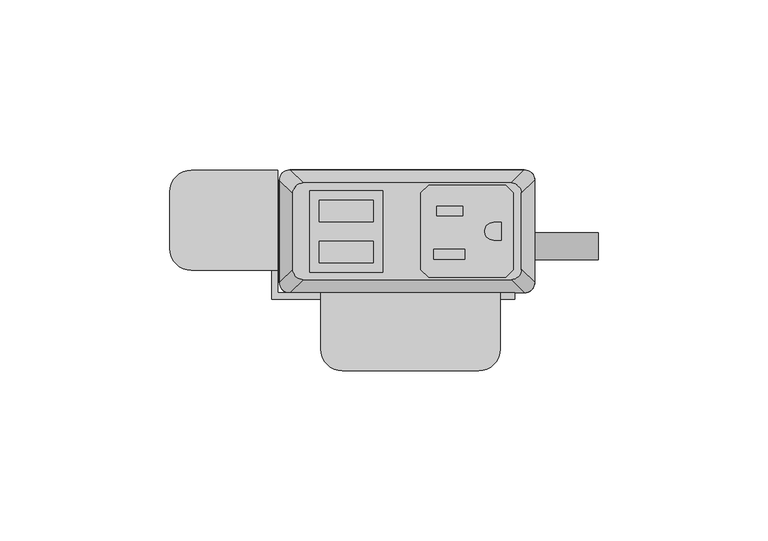
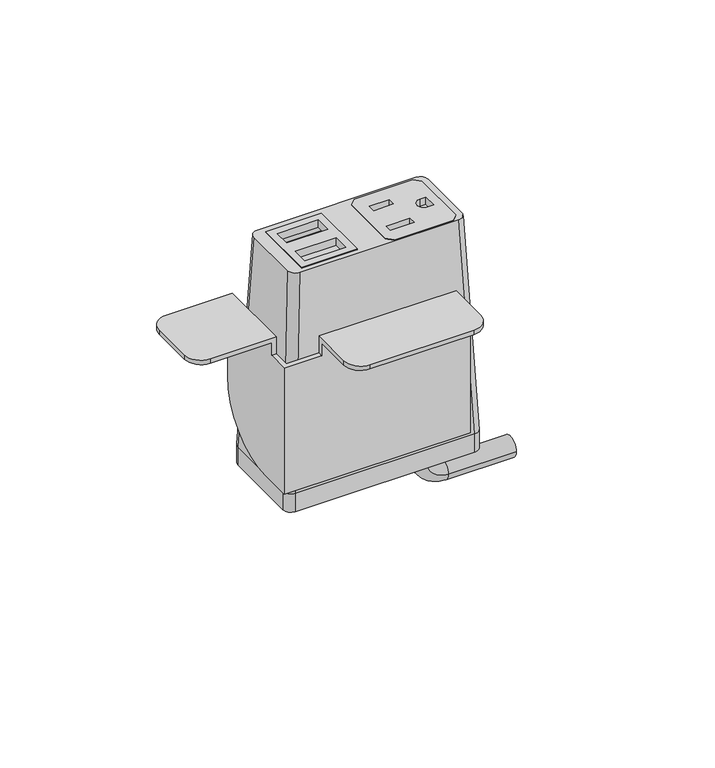
"""IFC4 building model written with IfcOpenShell, lengths in millimetres: furniture geometry."""

from ifc_helpers import new_model, si_unit, point, frame, frame_2d, origin, place, context, project, spatial, polyline, circle_curve, ellipse_curve, trimmed, segment, composite_curve, outline, extrude, source, transform, mapped, element, save
from ifc_brep_helpers import plane_surface, cylinder_surface, revolved_surface, extruded_surface, advanced_brep


def furniture_89d231df(model_context):
    return source(origin(), model_context, "Body", "SolidModel", [
        extrude(outline(polyline([(28.9877496, 31.6867491), (31.2737497, 29.400774), (31.2737497, 6.7950272), (28.9877496, 4.5090526), (6.3817502, 4.5090526), (4.0957501, 6.7950272), (4.0957501, 29.400774), (6.3817502, 31.6867491), (28.9877496, 31.6867491)]), holes=[polyline([(16.3893498, 25.5262103), (8.71855, 25.5262103), (8.71855, 22.6814439), (16.3893498, 22.6814439), (16.3893498, 25.5262103)]), polyline([(17.0497496, 12.7755533), (7.8041498, 12.7755533), (7.8041498, 9.9307858), (17.0497496, 9.9307858), (17.0497496, 12.7755533)]), composite_curve([segment(polyline([(27.7177508, 20.7140722), (25.4427305, 20.7140722)]), True, "CONTINUOUS"), segment(trimmed(circle_curve(frame_2d((25.4427305, 18.0979012)), 2.616171), [point((25.4427305, 20.7140722))], [point((25.4427305, 15.4817301))], True, "CARTESIAN"), True, "CONTINUOUS"), segment(polyline([(25.4427305, 15.4817301), (27.7177508, 15.4817301), (27.7177508, 20.7140722)]), True, "CONTINUOUS")], self_intersect=False)]), frame((0.0, 0.0, 740.0247365), z_axis=(0.0, 0.0, 1.0), x_axis=(1.0, 0.0, 0.0)), (0.0, 0.0, 1.0), 2.9555086),
        extrude(outline(polyline([(-28.6985163, 30.0736276), (-7.143469, 30.0736276), (-7.143469, 6.0162042), (-28.6985163, 6.0162042), (-28.6985163, 30.0736276)]), holes=[polyline([(-9.9834931, 27.2024139), (-25.8584916, 27.2025547), (-25.8584916, 20.8524858), (-9.9834931, 20.8524858), (-9.9834931, 27.2024139)]), polyline([(-9.9834931, 15.1725012), (-25.8584916, 15.1726408), (-25.8584916, 8.8225725), (-9.9834931, 8.8225725), (-9.9834931, 15.1725012)])]), frame((0.0, 0.0, 740.0247365), z_axis=(0.0, 0.0, 1.0), x_axis=(1.0, 0.0, 0.0)), (0.0, 0.0, 1.0), 2.9555086),
        advanced_brep(
        [(-30.6070003, 32.3219007, 742.9670623), (-33.6549997, 29.2739013, 742.9670623), (-33.6549997, 6.9219002, 742.9670623), (-30.6070003, 3.8739008, 742.9670623), (30.6070003, 3.8739008, 742.9670623), (33.6549997, 6.9219002, 742.9670623), (33.6549997, 29.2739013, 742.9670623), (30.6070003, 32.3219007, 742.9670623), (-7.143469, 30.0736276, 742.9670623), (-7.143469, 6.0162042, 742.9670623), (-28.6985163, 6.0162042, 742.9670623), (-28.6985163, 30.0736276, 742.9670623), (4.0957501, 29.400774, 742.9670623), (6.3817502, 31.6867491, 742.9670623), (28.9877496, 31.6867491, 742.9670623), (31.2737497, 29.400774, 742.9670623), (31.2737497, 6.7950272, 742.9670623), (28.9877496, 4.5090526, 742.9670623), (6.3817502, 4.5090526, 742.9670623), (4.0957501, 6.7950272, 742.9670623), (-34.5440011, 36.1954015, 656.6202434), (34.5440011, 36.1954015, 656.6202434), (37.5920005, 33.1474021, 656.6202434), (37.5920005, 3.0484002, 656.6202434), (34.5440011, 0.0004009, 656.6202434), (-34.5440011, 0.0004009, 656.6202434), (-37.5920005, 3.0484002, 656.6202434), (-37.5920005, 33.1474021, 656.6202434), (-7.143469, 30.0736276, 735.8251211), (-28.6985163, 30.0736276, 735.8251211), (-28.6985163, 6.0162042, 735.8251211), (-7.143469, 6.0162042, 735.8251211), (4.0957501, 29.400774, 735.8251211), (4.0957501, 6.7950272, 735.8251211), (6.3817502, 4.5090526, 735.8251211), (28.9877496, 4.5090526, 735.8251211), (31.2737497, 6.7950272, 735.8251211), (31.2737497, 29.400774, 735.8251211), (28.9877496, 31.6867491, 735.8251211), (6.3817502, 31.6867491, 735.8251211)],
        [
            (0, 1, circle_curve(frame((-30.6070003, 29.2739013, 742.9670623), z_axis=(0.0, 0.0, 1.0), x_axis=(-1.0, 0.0, 0.0)), 3.0479994)),
            (1, 2),
            (2, 3, circle_curve(frame((-30.6070003, 6.9219002, 742.9670623), z_axis=(0.0, 0.0, 1.0), x_axis=(-1.0, 0.0, 0.0)), 3.0479994)),
            (3, 4),
            (4, 5, circle_curve(frame((30.6070003, 6.9219002, 742.9670623), z_axis=(0.0, 0.0, 1.0), x_axis=(-1.0, 0.0, 0.0)), 3.0479994)),
            (5, 6),
            (6, 7, circle_curve(frame((30.6070003, 29.2739013, 742.9670623), z_axis=(0.0, 0.0, 1.0), x_axis=(-1.0, 0.0, 0.0)), 3.0479994)),
            (7, 0),
            (8, 9),
            (9, 10),
            (10, 11),
            (11, 8),
            (12, 13),
            (13, 14),
            (14, 15),
            (15, 16),
            (16, 17),
            (17, 18),
            (18, 19),
            (19, 12),
            (20, 21),
            (21, 22, circle_curve(frame((34.5440011, 33.1474021, 656.6202434), z_axis=(0.0, 0.0, -1.0), x_axis=(-1.0, 0.0, 0.0)), 3.0479994)),
            (22, 23),
            (23, 24, circle_curve(frame((34.5440011, 3.0484002, 656.6202434), z_axis=(0.0, 0.0, -1.0), x_axis=(-1.0, 0.0, 0.0)), 3.0479994)),
            (24, 25),
            (25, 26, circle_curve(frame((-34.5440011, 3.0484002, 656.6202434), z_axis=(0.0, 0.0, -1.0), x_axis=(-1.0, 0.0, 0.0)), 3.0479994)),
            (26, 27),
            (27, 20, circle_curve(frame((-34.5440011, 33.1474021, 656.6202434), z_axis=(0.0, 0.0, -1.0), x_axis=(-1.0, 0.0, 0.0)), 3.0479994)),
            (0, 20),
            (27, 1),
            (26, 2),
            (25, 3),
            (24, 4),
            (23, 5),
            (22, 6),
            (21, 7),
            (28, 29),
            (29, 30),
            (30, 31),
            (31, 28),
            (32, 33),
            (33, 34),
            (34, 35),
            (35, 36),
            (36, 37),
            (37, 38),
            (38, 39),
            (39, 32),
            (31, 9),
            (8, 28),
            (30, 10),
            (29, 11),
            (39, 13),
            (12, 32),
            (38, 14),
            (37, 15),
            (36, 16),
            (35, 17),
            (34, 18),
            (33, 19),
        ],
        [
            plane_surface(frame((0.0, 18.0979007, 742.9670623), z_axis=(0.0, 0.0, 1.0), x_axis=(-1.0, 0.0, 0.0))),
            plane_surface(frame((0.0, 18.0979012, 656.6202434), z_axis=(0.0, 0.0, -1.0), x_axis=(-1.0, 0.0, 0.0))),
            extruded_surface(trimmed(circle_curve(frame((-34.5440011, 33.1474021, 656.6202434), z_axis=(0.0, 0.0, 1.0), x_axis=(-1.0, 0.0, 0.0)), 3.0479994), [point((-34.5440011, 36.1954015, 656.6202434))], [point((-37.5920005, 33.1474021, 656.6202434))], True, "CARTESIAN"), (3.9370008000000034, -3.873500800000002, 86.3468188999999), 86.52327500676441),
            plane_surface(frame((-37.5920005, 18.0979012, 656.6202434), z_axis=(-0.9989621566211194, 0.0, 0.04554788292425982), x_axis=(0.0, -1.0, 0.0))),
            extruded_surface(trimmed(circle_curve(frame((-34.5440011, 3.0484002, 656.6202434), z_axis=(0.0, 0.0, 1.0), x_axis=(-1.0, 0.0, 0.0)), 3.0479994), [point((-37.5920005, 3.0484002, 656.6202434))], [point((-34.5440011, 0.0004009, 656.6202434))], True, "CARTESIAN"), (3.9370008000000034, 3.8734999999999995, 86.3468188999999), 86.52327497094976),
            plane_surface(frame((0.0, 0.0004009, 656.6202434), z_axis=(0.0, -0.9989953158490498, 0.044814717578687276), x_axis=(1.0, 0.0, 0.0))),
            extruded_surface(trimmed(circle_curve(frame((34.5440011, 3.0484002, 656.6202434), z_axis=(0.0, 0.0, 1.0), x_axis=(-1.0, 0.0, 0.0)), 3.0479994), [point((34.5440011, 0.0004009, 656.6202434))], [point((37.5920005, 3.0484002, 656.6202434))], True, "CARTESIAN"), (-3.9370008000000034, 3.8734999999999995, 86.3468188999999), 86.52327497094976),
            plane_surface(frame((37.5920005, 18.0979012, 656.6202434), z_axis=(0.9989621566211194, 0.0, 0.04554788292425977), x_axis=(0.0, 1.0, 0.0))),
            extruded_surface(trimmed(circle_curve(frame((34.5440011, 33.1474021, 656.6202434), z_axis=(0.0, 0.0, 1.0), x_axis=(-1.0, 0.0, 0.0)), 3.0479994), [point((37.5920005, 33.1474021, 656.6202434))], [point((34.5440011, 36.1954015, 656.6202434))], True, "CARTESIAN"), (-3.9370008000000034, -3.873500800000002, 86.3468188999999), 86.52327500676441),
            plane_surface(frame((0.0, 36.1954015, 656.6202434), z_axis=(0.0, 0.9989953153818162, 0.04481472799410512), x_axis=(-1.0, 0.0, 0.0))),
            plane_surface(frame((-7.143469, 30.0736276, 735.8251211), z_axis=(0.0, 0.0, 1.0), x_axis=(0.0, -1.0, 0.0))),
            plane_surface(frame((-7.143469, 30.0736276, 735.8251211), z_axis=(-1.0, 0.0, 0.0), x_axis=(0.0, 0.0, 1.0))),
            plane_surface(frame((-7.143469, 6.0162042, 735.8251211), z_axis=(0.0, 1.0, 0.0), x_axis=(0.0, 0.0, 1.0))),
            plane_surface(frame((-28.6985163, 6.0162042, 735.8251211), z_axis=(1.0, 0.0, 0.0), x_axis=(0.0, 0.0, 1.0))),
            plane_surface(frame((-28.6985163, 30.0736276, 735.8251211), z_axis=(0.0, -1.0, 0.0), x_axis=(0.0, 0.0, 1.0))),
            plane_surface(frame((4.0957501, 29.400774, 735.8251211), z_axis=(0.7071029176939239, -0.707110644658062, 0.0), x_axis=(0.0, 0.0, 1.0))),
            plane_surface(frame((6.3817502, 31.6867491, 735.8251211), z_axis=(0.0, -1.0, 0.0), x_axis=(0.0, 0.0, 1.0))),
            plane_surface(frame((28.9877496, 31.6867491, 735.8251211), z_axis=(-0.7071029176939239, -0.707110644658062, 0.0), x_axis=(0.0, 0.0, 1.0))),
            plane_surface(frame((31.2737497, 29.400774, 735.8251211), z_axis=(-1.0, 0.0, 0.0), x_axis=(0.0, 0.0, 1.0))),
            plane_surface(frame((31.2737497, 6.7950272, 735.8251211), z_axis=(-0.7071028298865373, 0.7071107324644781, 0.0), x_axis=(0.0, 0.0, 1.0))),
            plane_surface(frame((28.9877496, 4.5090526, 735.8251211), z_axis=(0.0, 1.0, 0.0), x_axis=(0.0, 0.0, 1.0))),
            plane_surface(frame((6.3817502, 4.5090526, 735.8251211), z_axis=(0.7071028298865373, 0.7071107324644781, 0.0), x_axis=(0.0, 0.0, 1.0))),
            plane_surface(frame((4.0957501, 6.7950272, 735.8251211), z_axis=(1.0, 0.0, 0.0), x_axis=(0.0, 0.0, 1.0))),
        ],
        [
            (0, [[1, 2, 3, 4, 5, 6, 7, 8], [9, 10, 11, 12], [13, 14, 15, 16, 17, 18, 19, 20]]),
            (1, [[21, 22, 23, 24, 25, 26, 27, 28]]),
            (2, [[-1, 29, -28, 30]]),
            (3, [[-2, -30, -27, 31]]),
            (4, [[-3, -31, -26, 32]]),
            (5, [[-4, -32, -25, 33]]),
            (6, [[-5, -33, -24, 34]]),
            (7, [[-6, -34, -23, 35]]),
            (8, [[-7, -35, -22, 36]]),
            (9, [[-8, -36, -21, -29]]),
            (10, [[37, 38, 39, 40]]),
            (10, [[41, 42, 43, 44, 45, 46, 47, 48]]),
            (11, [[-40, 49, -9, 50]]),
            (12, [[-39, 51, -10, -49]]),
            (13, [[-38, 52, -11, -51]]),
            (14, [[-37, -50, -12, -52]]),
            (15, [[-48, 53, -13, 54]]),
            (16, [[-47, 55, -14, -53]]),
            (17, [[-46, 56, -15, -55]]),
            (18, [[-45, 57, -16, -56]]),
            (19, [[-44, 58, -17, -57]]),
            (20, [[-43, 59, -18, -58]]),
            (21, [[-42, 60, -19, -59]]),
            (22, [[-41, -54, -20, -60]]),
        ],
    ),
        advanced_brep(
        [(21.5715504, 17.7128311, 649.1460348), (21.5715504, 9.7137856, 649.1460348), (21.5715504, 17.7128311, 644.3162821), (21.5715504, 9.7137856, 644.3162821), (30.0384415, 9.7137856, 635.849391), (30.0384415, 17.7128311, 635.849391), (56.2588798, 17.7128311, 635.849391), (56.2588798, 9.7137856, 635.849391)],
        [
            (0, 1, circle_curve(frame((21.5715504, 13.7133083, 649.1460348), z_axis=(0.0, 0.0, 1.0), x_axis=(0.0, -1.0, 0.0)), 3.9995228)),
            (1, 0, circle_curve(frame((21.5715504, 13.7133083, 649.1460348), z_axis=(0.0, 0.0, 1.0), x_axis=(0.0, -1.0, 0.0)), 3.9995228)),
            (0, 2),
            (2, 3, circle_curve(frame((21.5715504, 13.7133083, 644.3162821), z_axis=(0.0, 0.0, 1.0), x_axis=(0.0, -1.0, 0.0)), 3.9995228)),
            (3, 1),
            (3, 2, circle_curve(frame((21.5715504, 13.7133083, 644.3162821), z_axis=(0.0, 0.0, 1.0), x_axis=(0.0, -1.0, 0.0)), 3.9995228)),
            (4, 3, circle_curve(frame((30.0384415, 9.7137856, 644.3162821), z_axis=(0.0, 1.0, 0.0), x_axis=(-1.0, 0.0, 0.0)), 8.4668911)),
            (2, 5, circle_curve(frame((30.0384415, 17.7128311, 644.3162821), z_axis=(0.0, -1.0, 0.0), x_axis=(-1.0, 0.0, 0.0)), 8.4668911)),
            (5, 4, circle_curve(frame((30.0384415, 13.7133083, 635.849391), z_axis=(-1.0, 0.0, 0.0), x_axis=(0.0, -1.0, 0.0)), 3.9995228)),
            (4, 5, circle_curve(frame((30.0384415, 13.7133083, 635.849391), z_axis=(-1.0, 0.0, 0.0), x_axis=(0.0, -1.0, 0.0)), 3.9995228)),
            (6, 7, circle_curve(frame((56.2588798, 13.7133083, 635.849391), z_axis=(1.0, 0.0, 0.0), x_axis=(0.0, -1.0, 0.0)), 3.9995228)),
            (7, 6, circle_curve(frame((56.2588798, 13.7133083, 635.849391), z_axis=(1.0, 0.0, 0.0), x_axis=(0.0, -1.0, 0.0)), 3.9995228)),
            (5, 6),
            (7, 4),
        ],
        [
            plane_surface(frame((21.5715504, 0.0, 649.1460348), z_axis=(0.0, 0.0, 1.0), x_axis=(0.0, -1.0, 0.0))),
            cylinder_surface(frame((21.5715504, 13.7133083, 649.1460348), z_axis=(0.0, 0.0, 1.0), x_axis=(0.0, -1.0, 0.0)), 3.9995228),
            revolved_surface(trimmed(ellipse_curve(frame((21.5715504, 13.7133083, 644.3162821), z_axis=(0.0, 0.0, 1.0), x_axis=(0.0, -1.0, 0.0)), 3.9995228, 3.9995228), [point((21.5715504, 17.7128311, 644.3162821))], [point((21.5715504, 9.7137856, 644.3162821))], True, "CARTESIAN"), (30.0384415, 0.0, 644.3162821), (0.0, -1.0, 0.0)),
            revolved_surface(trimmed(ellipse_curve(frame((21.5715504, 13.7133083, 644.3162821), z_axis=(0.0, 0.0, 1.0), x_axis=(0.0, -1.0, 0.0)), 3.9995228, 3.9995228), [point((21.5715504, 9.7137856, 644.3162821))], [point((21.5715504, 17.7128311, 644.3162821))], True, "CARTESIAN"), (30.0384415, 0.0, 644.3162821), (0.0, -1.0, 0.0)),
            plane_surface(frame((56.2588798, 0.0, 635.849391), z_axis=(1.0, 0.0, 0.0), x_axis=(0.0, -1.0, 0.0))),
            cylinder_surface(frame((30.0384415, 13.7133083, 635.849391), z_axis=(-1.0, 0.0, 0.0), x_axis=(0.0, -1.0, 0.0)), 3.9995228),
        ],
        [
            (0, [[1, 2]]),
            (1, [[-1, 3, 4, 5]]),
            (1, [[-2, -5, 6, -3]]),
            (2, [[7, -4, 8, 9]]),
            (3, [[-8, -6, -7, 10]]),
            (4, [[11, 12]]),
            (5, [[-9, 13, -12, 14]]),
            (5, [[-10, -14, -11, -13]]),
        ],
    ),
        extrude(outline(composite_curve([segment(trimmed(circle_curve(frame_2d((34.5440011, 33.1474021)), 3.0479994), [point((34.5440011, 36.1954015))], [point((37.5920005, 33.1474021))], False, "CARTESIAN"), True, "CONTINUOUS"), segment(polyline([(37.5920005, 33.1474021), (37.5920005, 3.0484002)]), True, "CONTINUOUS"), segment(trimmed(circle_curve(frame_2d((34.5440011, 3.0484002)), 3.0479994), [point((37.5920005, 3.0484002))], [point((34.5440011, 0.0004009))], False, "CARTESIAN"), True, "CONTINUOUS"), segment(polyline([(34.5440011, 0.0004009), (-34.5440011, 0.0004009)]), True, "CONTINUOUS"), segment(trimmed(circle_curve(frame_2d((-34.5440011, 3.0484002)), 3.0479994), [point((-34.5440011, 0.0004009))], [point((-37.5920005, 3.0484002))], False, "CARTESIAN"), True, "CONTINUOUS"), segment(polyline([(-37.5920005, 3.0484002), (-37.5920005, 33.1474021)]), True, "CONTINUOUS"), segment(trimmed(circle_curve(frame_2d((-34.5440011, 33.1474021)), 3.0479994), [point((-37.5920005, 33.1474021))], [point((-34.5440011, 36.1954015))], False, "CARTESIAN"), True, "CONTINUOUS"), segment(polyline([(-34.5440011, 36.1954015), (34.5440011, 36.1954015)]), True, "CONTINUOUS")], self_intersect=False)), frame((0.0, 0.0, 649.1460348), z_axis=(0.0, 0.0, 1.0), x_axis=(1.0, 0.0, 0.0)), (0.0, 0.0, 1.0), 7.4742086),
        advanced_brep(
        [(-63.4998651, 6.6265515, 715.772), (-69.8498653, 12.9765517, 715.772), (-69.8498653, 29.7151512, 715.772), (-63.4998645, 36.0651519, 715.772), (-39.877862, 36.0651519, 715.772), (-39.877862, 6.6265515, 715.772), (27.4321373, -16.6144474, 715.772), (21.0821366, -22.9644481, 715.772), (-19.0498626, -22.9644481, 715.772), (-25.3998622, -16.6144485, 715.772), (-25.3998622, -1.9078486, 715.772), (27.4321373, -1.9078486, 715.772), (-63.4998645, 36.0651519, 717.55), (-69.8498653, 29.7151512, 717.55), (-69.8498653, 12.9765517, 717.55), (-63.4998651, 6.6265515, 717.55), (-38.0998637, 6.6265515, 717.55), (-38.0998637, 36.0651519, 717.55), (-25.3998622, 0.0, 717.55), (-25.3998622, -16.6144485, 717.55), (-19.0498626, -22.9644481, 717.55), (21.0821366, -22.9644481, 717.55), (27.4321373, -16.6144474, 717.55), (27.4321373, 0.0, 717.55), (-38.0998637, 36.0651519, 684.5299997), (-39.877862, 36.0651519, 684.5299997), (-39.877862, 6.6265515, 710.6919997), (-38.0998637, 6.6265515, 710.6919997), (-38.0998637, 0.0, 710.6919997), (-38.0998637, 0.0, 659.1300012), (-38.0998637, 10.6651534, 659.1300012), (27.4321373, -1.9078486, 710.6919997), (27.4321373, 0.0, 710.6919997), (31.7501378, 0.0, 710.6919997), (31.7501378, 0.0, 659.1300012), (-25.3998622, 0.0, 710.6919997), (-25.3998622, -1.9078486, 710.6919997), (-39.877862, 10.6651534, 659.1300012), (-39.877862, -1.9078486, 659.1300012), (-39.877862, -1.9078486, 710.6919997), (31.7501378, -1.9078486, 659.1300012), (31.7501378, -1.9078486, 710.6919997)],
        [
            (0, 1, circle_curve(frame((-63.4998651, 12.9765517, 715.772), z_axis=(0.0, 0.0, -1.0), x_axis=(-1.0, 0.0, 0.0)), 6.3500002)),
            (1, 2),
            (2, 3, circle_curve(frame((-63.4998645, 29.7151512, 715.772), z_axis=(0.0, 0.0, -1.0), x_axis=(-1.0, 0.0, 0.0)), 6.3500008)),
            (3, 4),
            (4, 5),
            (5, 0),
            (6, 7, circle_curve(frame((21.0821366, -16.6144474, 715.772), z_axis=(0.0, 0.0, -1.0), x_axis=(-1.0, 0.0, 0.0)), 6.3500008)),
            (7, 8),
            (8, 9, circle_curve(frame((-19.0498626, -16.6144485, 715.772), z_axis=(0.0, 0.0, -1.0), x_axis=(-1.0, 0.0, 0.0)), 6.3499996)),
            (9, 10),
            (10, 11),
            (11, 6),
            (12, 13, circle_curve(frame((-63.4998645, 29.7151512, 717.55), z_axis=(0.0, 0.0, 1.0), x_axis=(-1.0, 0.0, 0.0)), 6.3500008)),
            (13, 14),
            (14, 15, circle_curve(frame((-63.4998651, 12.9765517, 717.55), z_axis=(0.0, 0.0, 1.0), x_axis=(-1.0, 0.0, 0.0)), 6.3500002)),
            (15, 16),
            (16, 17),
            (17, 12),
            (18, 19),
            (19, 20, circle_curve(frame((-19.0498626, -16.6144485, 717.55), z_axis=(0.0, 0.0, 1.0), x_axis=(-1.0, 0.0, 0.0)), 6.3499996)),
            (20, 21),
            (21, 22, circle_curve(frame((21.0821366, -16.6144474, 717.55), z_axis=(0.0, 0.0, 1.0), x_axis=(-1.0, 0.0, 0.0)), 6.3500008)),
            (22, 23),
            (23, 18),
            (3, 12),
            (17, 24),
            (24, 25),
            (25, 4),
            (2, 13),
            (1, 14),
            (0, 15),
            (5, 26),
            (26, 27),
            (27, 16),
            (27, 28),
            (28, 29),
            (29, 30),
            (30, 24, circle_curve(frame((-38.0998637, 10.6651534, 684.5299997), z_axis=(1.0, 0.0, 0.0), x_axis=(0.0, -1.0, 0.0)), 25.3999985)),
            (8, 20),
            (19, 9),
            (7, 21),
            (6, 22),
            (11, 31),
            (31, 32),
            (32, 23),
            (32, 33),
            (33, 34),
            (34, 29),
            (28, 35),
            (35, 18),
            (35, 36),
            (36, 10),
            (25, 37, circle_curve(frame((-39.877862, 10.6651534, 684.5299997), z_axis=(-1.0, 0.0, 0.0), x_axis=(0.0, -1.0, 0.0)), 25.3999985)),
            (37, 38),
            (38, 39),
            (39, 26),
            (30, 37),
            (34, 40),
            (40, 38),
            (40, 41),
            (41, 31),
            (36, 39),
            (41, 33),
        ],
        [
            plane_surface(frame((-63.4998645, 36.0651519, 715.772), z_axis=(0.0, 0.0, -1.0), x_axis=(1.0, 0.0, 0.0))),
            plane_surface(frame((-63.4998645, 36.0651519, 717.55), z_axis=(0.0, 0.0, 1.0), x_axis=(-1.0, 0.0, 0.0))),
            plane_surface(frame((-38.0998637, 36.0651519, 717.55), z_axis=(0.0, 1.0, 0.0), x_axis=(0.0, 0.0, -1.0))),
            cylinder_surface(frame((-63.4998645, 29.7151512, 715.772), z_axis=(0.0, 0.0, 1.0), x_axis=(-1.0, 0.0, 0.0)), 6.3500008),
            plane_surface(frame((-69.8498653, 29.7151512, 717.55), z_axis=(-1.0, 0.0, 0.0), x_axis=(0.0, 0.0, -1.0))),
            cylinder_surface(frame((-63.4998651, 12.9765517, 715.772), z_axis=(0.0, 0.0, 1.0), x_axis=(-1.0, 0.0, 0.0)), 6.3500002),
            plane_surface(frame((-63.4998651, 6.6265515, 717.55), z_axis=(0.0, -1.0, 0.0), x_axis=(0.0, 0.0, -1.0))),
            plane_surface(frame((-38.0998637, 6.6265515, 717.55), z_axis=(1.0, 0.0, 0.0), x_axis=(0.0, 0.0, -1.0))),
            cylinder_surface(frame((-19.0498626, -16.6144485, 717.55), z_axis=(0.0, 0.0, 1.0), x_axis=(-1.0, 0.0, 0.0)), 6.3499996),
            plane_surface(frame((-19.0498626, -22.9644481, 717.55), z_axis=(0.0, -1.0, 0.0), x_axis=(0.0, 0.0, -1.0))),
            cylinder_surface(frame((21.0821366, -16.6144474, 717.55), z_axis=(0.0, 0.0, 1.0), x_axis=(-1.0, 0.0, 0.0)), 6.3500008),
            plane_surface(frame((27.4321373, -16.6144474, 717.55), z_axis=(1.0, 0.0, 0.0), x_axis=(0.0, 0.0, -1.0))),
            plane_surface(frame((27.4321373, 0.0, 717.55), z_axis=(0.0, 1.0, 0.0), x_axis=(0.0, 0.0, -1.0))),
            plane_surface(frame((-25.3998622, 0.0, 717.55), z_axis=(-1.0, 0.0, 0.0), x_axis=(0.0, 0.0, -1.0))),
            plane_surface(frame((-39.877862, 36.0651519, 684.5299997), z_axis=(-1.0, 0.0, 0.0), x_axis=(0.0, 0.0, -1.0))),
            cylinder_surface(frame((-38.0998637, 10.6651534, 684.5299997), z_axis=(-1.0, 0.0, 0.0), x_axis=(0.0, -1.0, 0.0)), 25.3999985),
            plane_surface(frame((-39.877862, 10.6651534, 659.1300012), z_axis=(0.0, 0.0, -1.0), x_axis=(1.0, 0.0, 0.0))),
            plane_surface(frame((-39.877862, -1.9078486, 659.1300012), z_axis=(0.0, -1.0, 0.0), x_axis=(1.0, 0.0, 0.0))),
            plane_surface(frame((-39.877862, -1.9078486, 710.6919997), z_axis=(0.0, 0.0, 1.0), x_axis=(1.0, 0.0, 0.0))),
            plane_surface(frame((31.7501378, -1.9078486, 710.6919997), z_axis=(0.0, 0.0, 1.0), x_axis=(0.0, 1.0, 0.0))),
            plane_surface(frame((31.7501378, -1.9078486, 659.1300012), z_axis=(1.0, 0.0, 0.0), x_axis=(0.0, 1.0, 0.0))),
        ],
        [
            (0, [[1, 2, 3, 4, 5, 6]]),
            (0, [[7, 8, 9, 10, 11, 12]]),
            (1, [[13, 14, 15, 16, 17, 18]]),
            (1, [[19, 20, 21, 22, 23, 24]]),
            (2, [[25, -18, 26, 27, 28, -4]]),
            (3, [[-3, 29, -13, -25]]),
            (4, [[-2, 30, -14, -29]]),
            (5, [[-1, 31, -15, -30]]),
            (6, [[-31, -6, 32, 33, 34, -16]]),
            (7, [[-17, -34, 35, 36, 37, 38, -26]]),
            (8, [[-9, 39, -20, 40]]),
            (9, [[-8, 41, -21, -39]]),
            (10, [[-7, 42, -22, -41]]),
            (11, [[-42, -12, 43, 44, 45, -23]]),
            (12, [[-24, -45, 46, 47, 48, -36, 49, 50]]),
            (13, [[-40, -19, -50, 51, 52, -10]]),
            (14, [[53, 54, 55, 56, -32, -5, -28]]),
            (15, [[-53, -27, -38, 57]]),
            (16, [[-57, -37, -48, 58, 59, -54]]),
            (17, [[-55, -59, 60, 61, -43, -11, -52, 62]]),
            (18, [[-62, -51, -49, -35, -33, -56]]),
            (19, [[-61, 63, -46, -44]]),
            (20, [[-60, -58, -47, -63]]),
        ],
    ),
    ])


if __name__ == "__main__":
    model = new_model("IFC4")
    model_context = context("Model", 3, world=origin())
    ifc_project = project(units=[si_unit("LENGTHUNIT", "METRE", prefix="MILLI")], contexts=[model_context])
    site = spatial("IfcSite", under=ifc_project)
    building = spatial("IfcBuilding", under=site)
    placement = place(None, origin())
    furniture_shape = furniture_89d231df(model_context)
    element("IfcFurniture", 1, at=placement, inside=building, context=model_context, shape_type="MappedRepresentation", body=[
        mapped(furniture_shape, transform((0.0, 0.0, 0.0), x_axis=(1.0, 0.0, 0.0), y_axis=(0.0, 1.0, 0.0), z_axis=(0.0, 0.0, 1.0))),
    ])
    save(model, "model.ifc")
